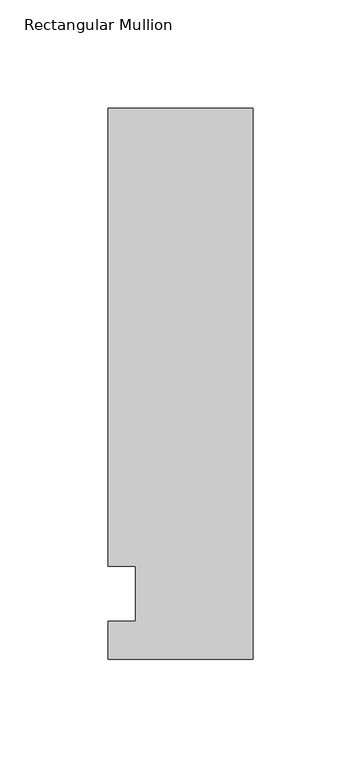
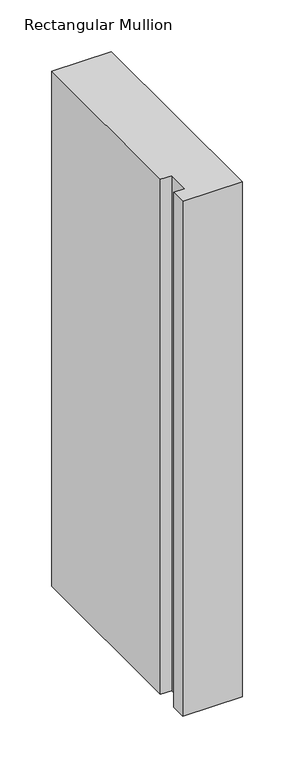
"""IFC4 building model written with IfcOpenShell, lengths in millimetres: member geometry, Rectangular Mullion."""

from ifc_helpers import new_model, si_unit, frame, origin, place, context, project, spatial, polyline, outline, extrude, source, transform, mapped, element, save


def rectangular_mullion_26e702e9(model_context):
    return source(origin(), model_context, "Body", "SweptSolid", [
        extrude(outline(polyline([(-66.675, 223.8375), (0.0, 223.8375), (0.0, -30.1625), (-66.675, -30.1625), (-66.675, -12.7), (-53.9732296, -12.7), (-53.9732296, 12.7), (-66.675, 12.7), (-66.675, 223.8375)])), frame((0.0, 0.0, -609.6), z_axis=(0.0, 0.0, 1.0), x_axis=(1.0, 0.0, 0.0)), (0.0, 0.0, 1.0), 609.6),
    ])


if __name__ == "__main__":
    model = new_model("IFC4")
    model_context = context("Model", 3, world=origin())
    ifc_project = project(units=[si_unit("LENGTHUNIT", "METRE", prefix="MILLI")], contexts=[model_context])
    site = spatial("IfcSite", under=ifc_project)
    building = spatial("IfcBuilding", under=site)
    placement = place(None, origin())
    rectangular_mullion_shape = rectangular_mullion_26e702e9(model_context)
    element("IfcMember", 1, ObjectType="Rectangular Mullion", at=placement, inside=building, context=model_context, shape_type="MappedRepresentation", body=[
        mapped(rectangular_mullion_shape, transform((0.0, 0.0, 0.0), x_axis=(1.0, 0.0, 0.0), y_axis=(0.0, 1.0, 0.0), z_axis=(0.0, 0.0, 1.0))),
    ])
    save(model, "model.ifc")
